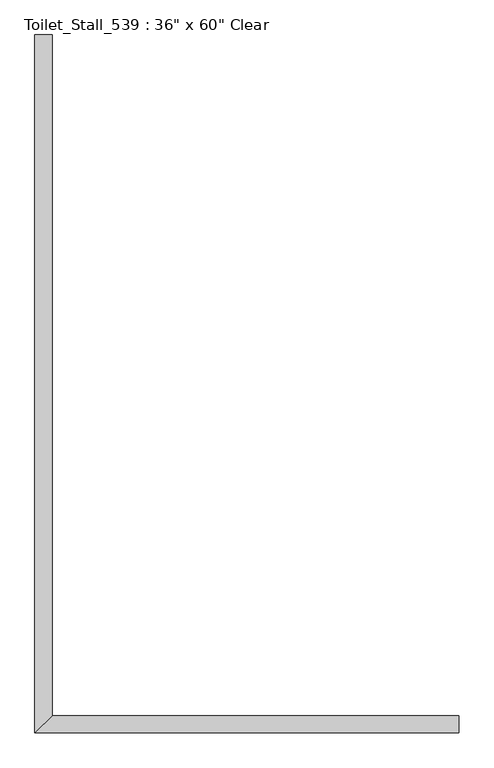
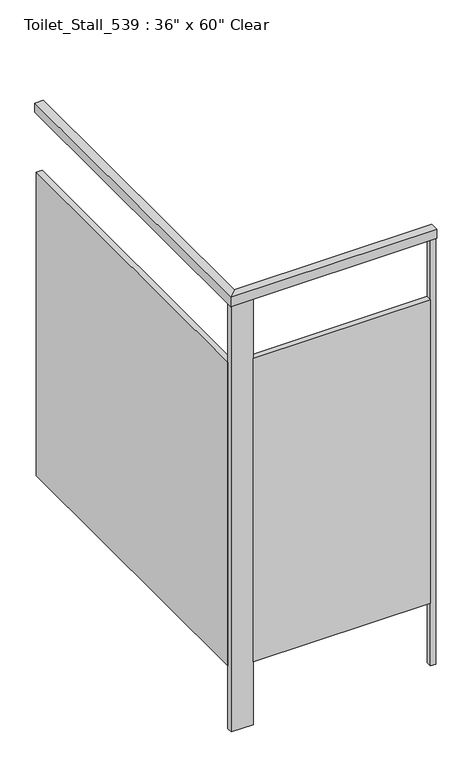
"""IFC4 building model written with IfcOpenShell, lengths in millimetres: proxy geometry."""

from ifc_helpers import new_model, si_unit, frame, origin, origin_with_axes, place, context, project, spatial, polyline, outline, extrude, faceted_brep, source, transform, mapped, element, save


def proxy_516b1f60(model_context):
    return source(origin(), model_context, "Body", "SolidModel", [
        faceted_brep([(-77.6968462, -61.9125, 2108.2), (-77.6968462, -61.9125, 2070.1), (-84.0468462, -61.9125, 2070.1), (-84.0468462, -61.9125, 2114.55), (-45.9468462, -61.9125, 2114.55), (-45.9468462, -61.9125, 2070.1), (-52.2968462, -61.9125, 2070.1), (-52.2968462, -61.9125, 2108.2), (-52.2968462, -1585.9125, 2108.2), (-77.6968462, -1611.3125, 2108.2), (-52.2968462, -1585.9125, 2070.1), (-45.9468462, -1579.5625, 2070.1), (-45.9468462, -1579.5625, 2114.55), (-84.0468462, -1617.6625, 2114.55), (-84.0468462, -1617.6625, 2070.1), (-77.6968462, -1611.3125, 2070.1), (862.1031538, -1611.3125, 2108.2), (862.1031538, -1585.9125, 2108.2), (862.1031538, -1585.9125, 2070.1), (862.1031538, -1579.5625, 2070.1), (862.1031538, -1579.5625, 2114.55), (862.1031538, -1617.6625, 2114.55), (862.1031538, -1617.6625, 2070.1), (862.1031538, -1611.3125, 2070.1)], [[[0, 1, 2, 3, 4, 5, 6, 7]], [[7, 8, 9, 0]], [[6, 10, 8, 7]], [[5, 11, 10, 6]], [[4, 12, 11, 5]], [[3, 13, 12, 4]], [[2, 14, 13, 3]], [[1, 15, 14, 2]], [[0, 9, 15, 1]], [[16, 17, 18, 19, 20, 21, 22, 23]], [[8, 17, 16, 9]], [[10, 18, 17, 8]], [[11, 19, 18, 10]], [[12, 20, 19, 11]], [[13, 21, 20, 12]], [[14, 22, 21, 13]], [[15, 23, 22, 14]], [[9, 16, 23, 15]]]),
        extrude(outline(polyline([(836.7031538, -1611.3125), (23.9031538, -1611.3125), (23.9031538, -1585.9125), (836.7031538, -1585.9125), (836.7031538, -1611.3125)])), frame((0.0, 0.0, 304.8), z_axis=(0.0, 0.0, 1.0), x_axis=(1.0, 0.0, 0.0)), (0.0, 0.0, 1.0), 1473.2),
        extrude(outline(polyline([(23.9031538, -1611.3125), (-77.6968462, -1611.3125), (-77.6968462, -1585.9125), (23.9031538, -1585.9125), (23.9031538, -1611.3125)])), origin_with_axes(), (0.0, 0.0, 1.0), 2108.2),
        extrude(outline(polyline([(862.1031538, -1611.3125), (836.7031538, -1611.3125), (836.7031538, -1585.9125), (862.1031538, -1585.9125), (862.1031538, -1611.3125)])), origin_with_axes(), (0.0, 0.0, 1.0), 2108.2),
        extrude(outline(polyline([(-77.6968462, -1585.9125), (-77.6968462, -63.5), (-52.2968462, -63.5), (-52.2968462, -1585.9125), (-77.6968462, -1585.9125)])), frame((0.0, 0.0, 304.8), z_axis=(0.0, 0.0, 1.0), x_axis=(1.0, 0.0, 0.0)), (0.0, 0.0, 1.0), 1473.2),
    ])


if __name__ == "__main__":
    model = new_model("IFC4")
    model_context = context("Model", 3, world=origin())
    ifc_project = project(units=[si_unit("LENGTHUNIT", "METRE", prefix="MILLI")], contexts=[model_context])
    site = spatial("IfcSite", under=ifc_project)
    building = spatial("IfcBuilding", under=site)
    placement = place(None, origin())
    proxy_shape = proxy_516b1f60(model_context)
    element("IfcBuildingElementProxy", 1, Name="Toilet_Stall_539 : 36\" x 60\" Clear", ObjectType="Toilet_Stall_539 : 36\" x 60\" Clear", at=placement, inside=building, context=model_context, shape_type="MappedRepresentation", body=[
        mapped(proxy_shape, transform((0.0, 0.0, 0.0), x_axis=(1.0, 0.0, 0.0), y_axis=(0.0, 1.0, 0.0), z_axis=(0.0, 0.0, 1.0))),
    ])
    save(model, "model.ifc")
